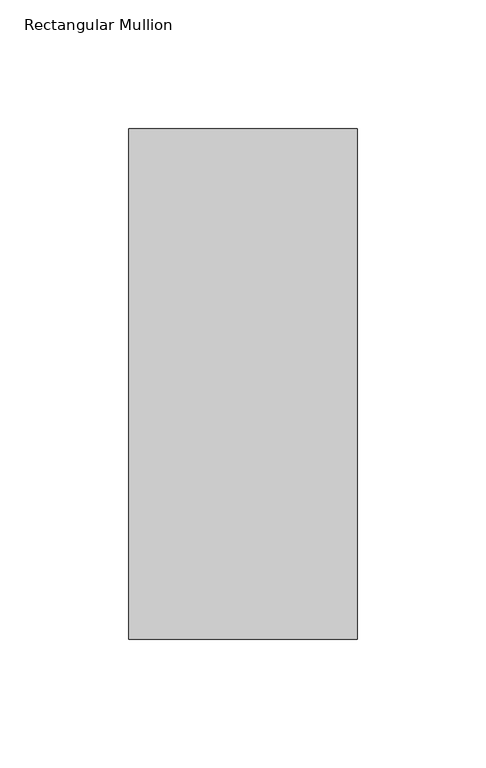
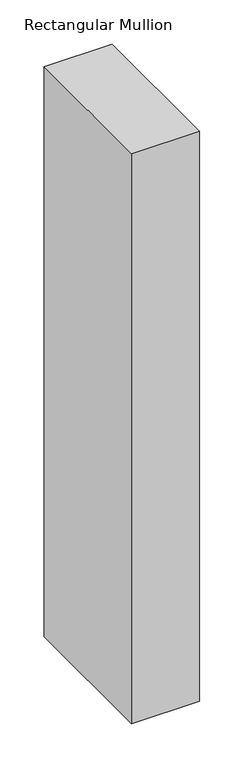
"""IFC4 building model written with IfcOpenShell, lengths in millimetres: member geometry, Rectangular Mullion."""

from ifc_helpers import new_model, si_unit, frame, origin, place, context, project, spatial, polyline, outline, extrude, source, transform, mapped, element, save


def rectangular_mullion_aaa4c56c(model_context):
    return source(origin(), model_context, "Body", "SweptSolid", [
        extrude(outline(polyline([(-88.9, 42.06875), (0.0, 42.06875), (0.0, -156.36875), (-88.9, -156.36875), (-88.9, 42.06875)])), frame((0.0, 0.0, -787.4), z_axis=(0.0, 0.0, 1.0), x_axis=(1.0, 0.0, 0.0)), (0.0, 0.0, 1.0), 787.4),
    ])


if __name__ == "__main__":
    model = new_model("IFC4")
    model_context = context("Model", 3, world=origin())
    ifc_project = project(units=[si_unit("LENGTHUNIT", "METRE", prefix="MILLI")], contexts=[model_context])
    site = spatial("IfcSite", under=ifc_project)
    building = spatial("IfcBuilding", under=site)
    placement = place(None, origin())
    rectangular_mullion_shape = rectangular_mullion_aaa4c56c(model_context)
    element("IfcMember", 1, ObjectType="Rectangular Mullion", at=placement, inside=building, context=model_context, shape_type="MappedRepresentation", body=[
        mapped(rectangular_mullion_shape, transform((0.0, 0.0, 0.0), x_axis=(1.0, 0.0, 0.0), y_axis=(0.0, 1.0, 0.0), z_axis=(0.0, 0.0, 1.0))),
    ])
    save(model, "model.ifc")
